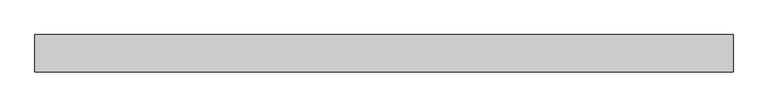
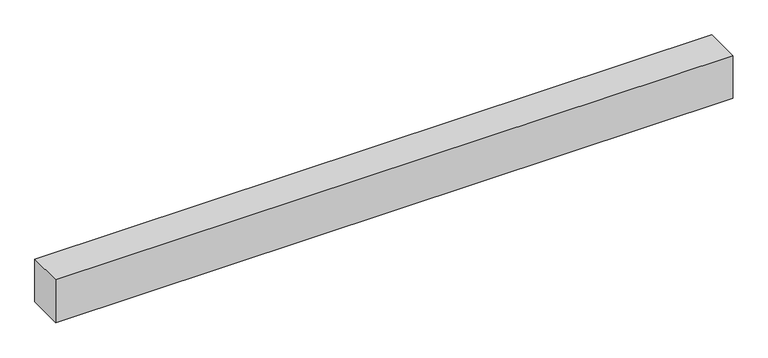
"""IFC4 building model written with IfcOpenShell, lengths in millimetres: proxy geometry."""

from ifc_helpers import new_model, si_unit, frame, origin, place, context, project, spatial, polyline, outline, extrude, source, transform, mapped, element, save


def generic_models_ab26adec(model_context):
    return source(origin(), model_context, "Body", "SweptSolid", [
        extrude(outline(polyline([(40.0, 0.0), (-40.0, 0.0), (-40.0, 1500.0), (40.0, 1500.0), (40.0, 0.0)])), frame((1500.0, 0.0, 0.0), z_axis=(0.0, -1.9783474858313244e-12, 1.0), x_axis=(0.0, 1.0, 1.9783474858313244e-12)), (0.0, 0.0, 1.0), 100.0),
    ])


if __name__ == "__main__":
    model = new_model("IFC4")
    model_context = context("Model", 3, world=origin())
    ifc_project = project(units=[si_unit("LENGTHUNIT", "METRE", prefix="MILLI")], contexts=[model_context])
    site = spatial("IfcSite", under=ifc_project)
    building = spatial("IfcBuilding", under=site)
    placement = place(None, origin())
    generic_models_shape = generic_models_ab26adec(model_context)
    element("IfcBuildingElementProxy", 1, Name="Generic Models", at=placement, inside=building, context=model_context, shape_type="MappedRepresentation", body=[
        mapped(generic_models_shape, transform((0.0, 0.0, 0.0), x_axis=(1.0, 0.0, 0.0), y_axis=(0.0, 1.0, 0.0), z_axis=(0.0, 0.0, 1.0))),
    ])
    save(model, "model.ifc")
